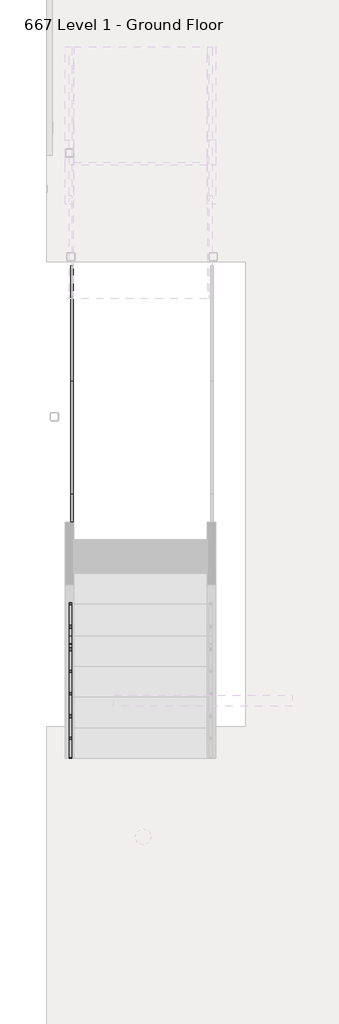
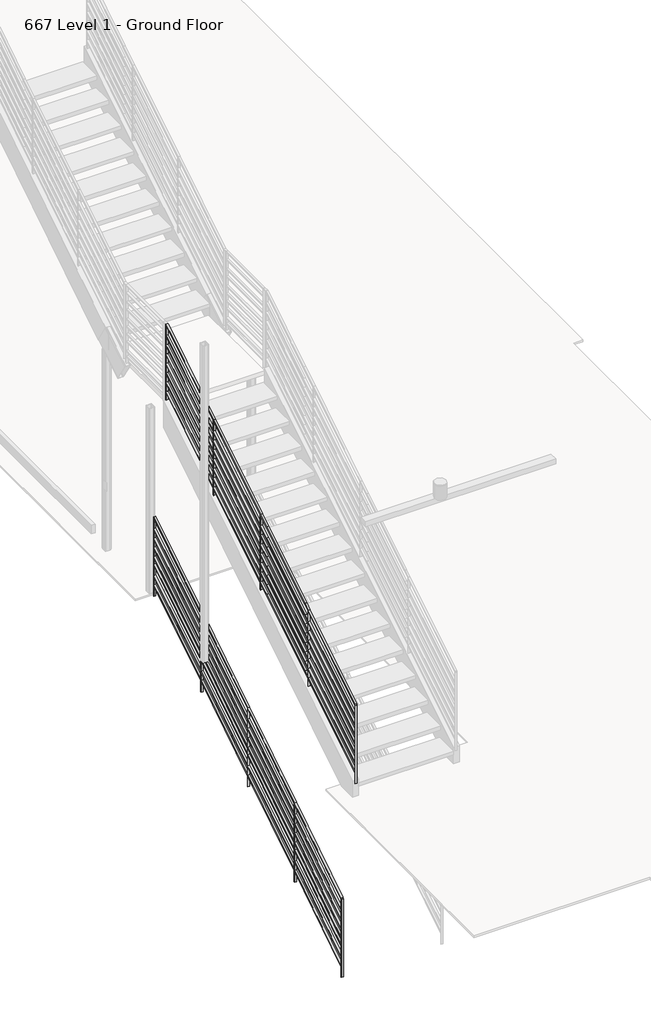
# One storey, part 11 of 16: 2 railings.
"""IFC4 building model written with IfcOpenShell, lengths in millimetres."""

from ifc_helpers import new_model, si_unit, frame, origin, place, context, project, spatial, polyline, outline, extrude, faceted_brep, element, save

model = new_model("IFC4")

# Units and contexts
model_context = context("Model", 3, world=origin())
ifc_project = project(units=[si_unit("LENGTHUNIT", "METRE", prefix="MILLI")], contexts=[model_context])

# Site, building, storey
site = spatial("IfcSite", under=ifc_project)
building = spatial("IfcBuilding", under=site)
storey = spatial("IfcBuildingStorey", under=building, Name="667 Level 1 - Ground Floor", Elevation=-11277.6)

# Railings
placement = place(None, origin())
element("IfcRailing", 1, ObjectType="Handrail - Rectangular Type3", at=placement, inside=storey, context=model_context, shape_type="SolidModel", body=[
    faceted_brep([(-11951.0299749, -1585.5048905, -12857.8219788), (-11951.0299749, -1585.5048905, -12872.8560704), (-11925.6299749, -1585.5048905, -12872.8560704), (-11925.6299749, -1585.5048905, -12857.8219788), (-11951.0299749, -547.5031963, -12200.2243145), (-11951.0299749, -540.7065848, -12210.9525982), (-11925.6299749, -540.7065848, -12210.9525982), (-11925.6299749, -547.5031963, -12200.2243145), (-11951.0299749, 493.8968037, -11540.4737464), (-11951.0299749, 500.6934152, -11551.2020301), (-11925.6299749, 500.6934152, -11551.2020301), (-11925.6299749, 493.8968037, -11540.4737464), (-11951.0299749, 1528.9468037, -10884.7460475), (-11951.0299749, 1535.7434152, -10895.4743312), (-11925.6299749, 1535.7434152, -10895.4743312), (-11925.6299749, 1528.9468037, -10884.7460475), (-11951.0299749, 2579.9937638, -10218.8839108), (-11925.6299749, 2579.9937638, -10218.8839108), (-11925.6299749, 2579.9937638, -10233.9180024), (-11951.0299749, 2579.9937638, -10233.9180024)], [[[0, 1, 2, 3]], [[1, 0, 4, 5]], [[2, 1, 5, 6]], [[3, 2, 6, 7]], [[0, 3, 7, 4]], [[5, 4, 8, 9]], [[6, 5, 9, 10]], [[7, 6, 10, 11]], [[4, 7, 11, 8]], [[9, 8, 12, 13]], [[10, 9, 13, 14]], [[11, 10, 14, 15]], [[8, 11, 15, 12]], [[16, 17, 18, 19]], [[13, 12, 16, 19]], [[14, 13, 19, 18]], [[15, 14, 18, 17]], [[12, 15, 17, 16]]]),
    extrude(outline(polyline([(-1585.5048905, -13787.2560704), (-1585.5048905, -13772.2219788), (-544.1048905, -13112.4714106), (-544.1048905, -13127.5055022), (-1585.5048905, -13787.2560704)])), frame((-11951.0299749, 0.0, 0.0), z_axis=(1.0, 0.0, 0.0), x_axis=(0.0, 1.0, 0.0)), (0.0, 0.0, 1.0), 25.4),
    extrude(outline(polyline([(-1585.5048905, -13660.2560704), (-1585.5048905, -13645.2219788), (-544.1048905, -12985.4714106), (-544.1048905, -13000.5055022), (-1585.5048905, -13660.2560704)])), frame((-11951.0299749, 0.0, 0.0), z_axis=(1.0, 0.0, 0.0), x_axis=(0.0, 1.0, 0.0)), (0.0, 0.0, 1.0), 25.4),
    extrude(outline(polyline([(-1585.5048905, -13507.8560704), (-1585.5048905, -13492.8219788), (-544.1048905, -12833.0714106), (-544.1048905, -12848.1055022), (-1585.5048905, -13507.8560704)])), frame((-11951.0299749, 0.0, 0.0), z_axis=(1.0, 0.0, 0.0), x_axis=(0.0, 1.0, 0.0)), (0.0, 0.0, 1.0), 25.4),
    extrude(outline(polyline([(-1585.5048905, -13406.2560704), (-1585.5048905, -13391.2219788), (-544.1048905, -12731.4714106), (-544.1048905, -12746.5055022), (-1585.5048905, -13406.2560704)])), frame((-11951.0299749, 0.0, 0.0), z_axis=(1.0, 0.0, 0.0), x_axis=(0.0, 1.0, 0.0)), (0.0, 0.0, 1.0), 25.4),
    extrude(outline(polyline([(-1585.5048905, -13279.2560704), (-1585.5048905, -13264.2219788), (-544.1048905, -12604.4714106), (-544.1048905, -12619.5055022), (-1585.5048905, -13279.2560704)])), frame((-11951.0299749, 0.0, 0.0), z_axis=(1.0, 0.0, 0.0), x_axis=(0.0, 1.0, 0.0)), (0.0, 0.0, 1.0), 25.4),
    extrude(outline(polyline([(-1585.5048905, -13152.2560704), (-1585.5048905, -13137.2219788), (-544.1048905, -12477.4714106), (-544.1048905, -12492.5055022), (-1585.5048905, -13152.2560704)])), frame((-11951.0299749, 0.0, 0.0), z_axis=(1.0, 0.0, 0.0), x_axis=(0.0, 1.0, 0.0)), (0.0, 0.0, 1.0), 25.4),
    extrude(outline(polyline([(-1585.5048905, -13025.2560704), (-1585.5048905, -13010.2219788), (-544.1048905, -12350.4714106), (-544.1048905, -12365.5055022), (-1585.5048905, -13025.2560704)])), frame((-11951.0299749, 0.0, 0.0), z_axis=(1.0, 0.0, 0.0), x_axis=(0.0, 1.0, 0.0)), (0.0, 0.0, 1.0), 25.4),
    extrude(outline(polyline([(-544.1048905, -13127.5055022), (-544.1048905, -13112.4714106), (497.2951095, -12452.7208424), (497.2951095, -12467.754934), (-544.1048905, -13127.5055022)])), frame((-11951.0299749, 0.0, 0.0), z_axis=(1.0, 0.0, 0.0), x_axis=(0.0, 1.0, 0.0)), (0.0, 0.0, 1.0), 25.4),
    extrude(outline(polyline([(497.2951095, -12467.754934), (497.2951095, -12452.7208424), (1532.3451095, -11796.9931435), (1532.3451095, -11812.0272351), (497.2951095, -12467.754934)])), frame((-11951.0299749, 0.0, 0.0), z_axis=(1.0, 0.0, 0.0), x_axis=(0.0, 1.0, 0.0)), (0.0, 0.0, 1.0), 25.4),
    extrude(outline(polyline([(1532.3451095, -11812.0272351), (1532.3451095, -11796.9931435), (2579.9937638, -11133.2839108), (2579.9937638, -11148.3180024), (1532.3451095, -11812.0272351)])), frame((-11951.0299749, 0.0, 0.0), z_axis=(1.0, 0.0, 0.0), x_axis=(0.0, 1.0, 0.0)), (0.0, 0.0, 1.0), 25.4),
    extrude(outline(polyline([(-544.1048905, -13000.5055022), (-544.1048905, -12985.4714106), (497.2951095, -12325.7208424), (497.2951095, -12340.754934), (-544.1048905, -13000.5055022)])), frame((-11951.0299749, 0.0, 0.0), z_axis=(1.0, 0.0, 0.0), x_axis=(0.0, 1.0, 0.0)), (0.0, 0.0, 1.0), 25.4),
    extrude(outline(polyline([(497.2951095, -12340.754934), (497.2951095, -12325.7208424), (1532.3451095, -11669.9931435), (1532.3451095, -11685.0272351), (497.2951095, -12340.754934)])), frame((-11951.0299749, 0.0, 0.0), z_axis=(1.0, 0.0, 0.0), x_axis=(0.0, 1.0, 0.0)), (0.0, 0.0, 1.0), 25.4),
    extrude(outline(polyline([(1532.3451095, -11685.0272351), (1532.3451095, -11669.9931435), (2579.9937638, -11006.2839108), (2579.9937638, -11021.3180024), (1532.3451095, -11685.0272351)])), frame((-11951.0299749, 0.0, 0.0), z_axis=(1.0, 0.0, 0.0), x_axis=(0.0, 1.0, 0.0)), (0.0, 0.0, 1.0), 25.4),
    extrude(outline(polyline([(-544.1048905, -12848.1055022), (-544.1048905, -12833.0714106), (497.2951095, -12173.3208424), (497.2951095, -12188.354934), (-544.1048905, -12848.1055022)])), frame((-11951.0299749, 0.0, 0.0), z_axis=(1.0, 0.0, 0.0), x_axis=(0.0, 1.0, 0.0)), (0.0, 0.0, 1.0), 25.4),
    extrude(outline(polyline([(497.2951095, -12188.354934), (497.2951095, -12173.3208424), (1532.3451095, -11517.5931435), (1532.3451095, -11532.6272351), (497.2951095, -12188.354934)])), frame((-11951.0299749, 0.0, 0.0), z_axis=(1.0, 0.0, 0.0), x_axis=(0.0, 1.0, 0.0)), (0.0, 0.0, 1.0), 25.4),
    extrude(outline(polyline([(1532.3451095, -11532.6272351), (1532.3451095, -11517.5931435), (2579.9937638, -10853.8839108), (2579.9937638, -10868.9180024), (1532.3451095, -11532.6272351)])), frame((-11951.0299749, 0.0, 0.0), z_axis=(1.0, 0.0, 0.0), x_axis=(0.0, 1.0, 0.0)), (0.0, 0.0, 1.0), 25.4),
    extrude(outline(polyline([(-544.1048905, -12746.5055022), (-544.1048905, -12731.4714106), (497.2951095, -12071.7208424), (497.2951095, -12086.754934), (-544.1048905, -12746.5055022)])), frame((-11951.0299749, 0.0, 0.0), z_axis=(1.0, 0.0, 0.0), x_axis=(0.0, 1.0, 0.0)), (0.0, 0.0, 1.0), 25.4),
    extrude(outline(polyline([(497.2951095, -12086.754934), (497.2951095, -12071.7208424), (1532.3451095, -11415.9931435), (1532.3451095, -11431.0272351), (497.2951095, -12086.754934)])), frame((-11951.0299749, 0.0, 0.0), z_axis=(1.0, 0.0, 0.0), x_axis=(0.0, 1.0, 0.0)), (0.0, 0.0, 1.0), 25.4),
    extrude(outline(polyline([(1532.3451095, -11431.0272351), (1532.3451095, -11415.9931435), (2579.9937638, -10752.2839108), (2579.9937638, -10767.3180024), (1532.3451095, -11431.0272351)])), frame((-11951.0299749, 0.0, 0.0), z_axis=(1.0, 0.0, 0.0), x_axis=(0.0, 1.0, 0.0)), (0.0, 0.0, 1.0), 25.4),
    extrude(outline(polyline([(-544.1048905, -12619.5055022), (-544.1048905, -12604.4714106), (497.2951095, -11944.7208424), (497.2951095, -11959.754934), (-544.1048905, -12619.5055022)])), frame((-11951.0299749, 0.0, 0.0), z_axis=(1.0, 0.0, 0.0), x_axis=(0.0, 1.0, 0.0)), (0.0, 0.0, 1.0), 25.4),
    extrude(outline(polyline([(497.2951095, -11959.754934), (497.2951095, -11944.7208424), (1532.3451095, -11288.9931435), (1532.3451095, -11304.0272351), (497.2951095, -11959.754934)])), frame((-11951.0299749, 0.0, 0.0), z_axis=(1.0, 0.0, 0.0), x_axis=(0.0, 1.0, 0.0)), (0.0, 0.0, 1.0), 25.4),
    extrude(outline(polyline([(1532.3451095, -11304.0272351), (1532.3451095, -11288.9931435), (2579.9937638, -10625.2839108), (2579.9937638, -10640.3180024), (1532.3451095, -11304.0272351)])), frame((-11951.0299749, 0.0, 0.0), z_axis=(1.0, 0.0, 0.0), x_axis=(0.0, 1.0, 0.0)), (0.0, 0.0, 1.0), 25.4),
    extrude(outline(polyline([(-544.1048905, -12492.5055022), (-544.1048905, -12477.4714106), (497.2951095, -11817.7208424), (497.2951095, -11832.754934), (-544.1048905, -12492.5055022)])), frame((-11951.0299749, 0.0, 0.0), z_axis=(1.0, 0.0, 0.0), x_axis=(0.0, 1.0, 0.0)), (0.0, 0.0, 1.0), 25.4),
    extrude(outline(polyline([(497.2951095, -11832.754934), (497.2951095, -11817.7208424), (1532.3451095, -11161.9931435), (1532.3451095, -11177.0272351), (497.2951095, -11832.754934)])), frame((-11951.0299749, 0.0, 0.0), z_axis=(1.0, 0.0, 0.0), x_axis=(0.0, 1.0, 0.0)), (0.0, 0.0, 1.0), 25.4),
    extrude(outline(polyline([(1532.3451095, -11177.0272351), (1532.3451095, -11161.9931435), (2579.9937638, -10498.2839108), (2579.9937638, -10513.3180024), (1532.3451095, -11177.0272351)])), frame((-11951.0299749, 0.0, 0.0), z_axis=(1.0, 0.0, 0.0), x_axis=(0.0, 1.0, 0.0)), (0.0, 0.0, 1.0), 25.4),
    extrude(outline(polyline([(-544.1048905, -12365.5055022), (-544.1048905, -12350.4714106), (497.2951095, -11690.7208424), (497.2951095, -11705.754934), (-544.1048905, -12365.5055022)])), frame((-11951.0299749, 0.0, 0.0), z_axis=(1.0, 0.0, 0.0), x_axis=(0.0, 1.0, 0.0)), (0.0, 0.0, 1.0), 25.4),
    extrude(outline(polyline([(497.2951095, -11705.754934), (497.2951095, -11690.7208424), (1532.3451095, -11034.9931435), (1532.3451095, -11050.0272351), (497.2951095, -11705.754934)])), frame((-11951.0299749, 0.0, 0.0), z_axis=(1.0, 0.0, 0.0), x_axis=(0.0, 1.0, 0.0)), (0.0, 0.0, 1.0), 25.4),
    extrude(outline(polyline([(1532.3451095, -11050.0272351), (1532.3451095, -11034.9931435), (2579.9937638, -10371.2839108), (2579.9937638, -10386.3180024), (1532.3451095, -11050.0272351)])), frame((-11951.0299749, 0.0, 0.0), z_axis=(1.0, 0.0, 0.0), x_axis=(0.0, 1.0, 0.0)), (0.0, 0.0, 1.0), 25.4),
    extrude(outline(polyline([(1529.1701095, -10899.6386698), (1535.5201095, -10895.6158005), (1535.5201095, -11956.9101893), (1529.1701095, -11956.9101893), (1529.1701095, -10899.6386698)])), frame((-11951.0299749, 0.0, 0.0), z_axis=(1.0, 0.0, 0.0), x_axis=(0.0, 1.0, 0.0)), (0.0, 0.0, 1.0), 25.4),
    extrude(outline(polyline([(494.1201095, -11555.3663687), (500.4701095, -11551.3434993), (500.4701095, -12612.6378882), (494.1201095, -12612.6378882), (494.1201095, -11555.3663687)])), frame((-11951.0299749, 0.0, 0.0), z_axis=(1.0, 0.0, 0.0), x_axis=(0.0, 1.0, 0.0)), (0.0, 0.0, 1.0), 25.4),
    extrude(outline(polyline([(-547.2798905, -12215.1169368), (-540.9298905, -12211.0940675), (-540.9298905, -13272.3884564), (-547.2798905, -13272.3884564), (-547.2798905, -12215.1169368)])), frame((-11951.0299749, 0.0, 0.0), z_axis=(1.0, 0.0, 0.0), x_axis=(0.0, 1.0, 0.0)), (0.0, 0.0, 1.0), 25.4),
    extrude(outline(polyline([(2576.8187638, -10235.9294371), (2583.1687638, -10231.9065678), (2583.1687638, -11293.2009566), (2576.8187638, -11293.2009566), (2576.8187638, -10235.9294371)])), frame((-11951.0299749, 0.0, 0.0), z_axis=(1.0, 0.0, 0.0), x_axis=(0.0, 1.0, 0.0)), (0.0, 0.0, 1.0), 25.4),
    extrude(outline(polyline([(-1588.6798905, -12874.867505), (-1582.3298905, -12870.8446357), (-1582.3298905, -13932.1390246), (-1588.6798905, -13932.1390246), (-1588.6798905, -12874.867505)])), frame((-11951.0299749, 0.0, 0.0), z_axis=(1.0, 0.0, 0.0), x_axis=(0.0, 1.0, 0.0)), (0.0, 0.0, 1.0), 25.4),
])
element("IfcRailing", 2, ObjectType="Handrail - Rectangular Type6", at=placement, inside=storey, context=model_context, shape_type="SolidModel", body=[
    faceted_brep([(-11965.1563726, -1915.7048905, -10029.2818141), (-11965.1563726, -1915.7048905, -10044.2441118), (-11939.7563726, -1915.7048905, -10044.2441118), (-11939.7563726, -1915.7048905, -10029.2818141), (-11965.1563726, -877.6622237, -9382.6895805), (-11965.1563726, -870.9475574, -9393.469342), (-11939.7563726, -870.9475574, -9393.469342), (-11939.7563726, -877.6622237, -9382.6895805), (-11965.1563726, -801.4622237, -9335.2249341), (-11965.1563726, -794.7474815, -9346.0048175), (-11939.7563726, -794.7475574, -9346.0046955), (-11939.7563726, -801.4622996, -9335.2248122), (-11965.1563726, 193.8439764, -8738.1261307), (-11965.1563726, 187.1293102, -8727.3463692), (-11965.1563726, 1230.0196748, -8077.734526), (-11965.1563726, 1236.734341, -8088.5142875), (-11939.7563726, 193.8439764, -8738.1261307), (-11939.7563726, 1236.734341, -8088.5142875), (-11939.7563726, 187.1293102, -8727.3463692), (-11939.7563726, 1230.0196748, -8077.734526), (-11965.1563726, 1446.4377763, -7942.9286378), (-11965.1563726, 1453.1524622, -7953.7084307), (-11939.7563726, 1453.1524426, -7953.7083993), (-11939.7563726, 1446.4377567, -7942.9286063), (-11965.1563726, 49.4741047, -8813.0913634), (-11965.1563726, 56.1161894, -8823.9161664), (-11939.7563726, 56.1161143, -8823.916044), (-11939.7563726, 49.4740295, -8813.091241), (-11965.1563726, 2281.6451095, -7418.7102509), (-11939.7563726, 2281.6451095, -7418.7102509), (-11939.7563726, 2281.6451095, -7433.7045639), (-11965.1563726, 2281.6451095, -7433.7045639)], [[[0, 1, 2, 3]], [[1, 0, 4, 5]], [[2, 1, 5, 6]], [[3, 2, 6, 7]], [[0, 3, 7, 4]], [[5, 4, 8, 9]], [[6, 5, 9, 10]], [[7, 6, 10, 11]], [[4, 7, 11, 8]], [[12, 13, 14, 15]], [[16, 12, 15, 17]], [[18, 16, 17, 19]], [[13, 18, 19, 14]], [[15, 14, 20, 21]], [[17, 15, 21, 22]], [[19, 17, 22, 23]], [[14, 19, 23, 20]], [[9, 8, 24, 25]], [[10, 9, 25, 26]], [[11, 10, 26, 27]], [[8, 11, 27, 24]], [[25, 24, 13, 12]], [[26, 25, 12, 16]], [[27, 26, 16, 18]], [[24, 27, 18, 13]], [[28, 29, 30, 31]], [[21, 20, 28, 31]], [[22, 21, 31, 30]], [[23, 22, 30, 29]], [[20, 23, 29, 28]]]),
    faceted_brep([(-11965.1563726, -1915.7048905, -10943.6818141), (-11965.1563726, -1915.7048905, -10958.6441118), (-11939.7563726, -1915.7048905, -10958.6441118), (-11939.7563726, -1915.7048905, -10943.6818141), (-11965.1563726, -874.3048905, -10294.9983124), (-11939.7563726, -874.3048905, -10294.9983124), (-11939.7563726, -874.3048905, -10309.9606101), (-11965.1563726, -874.3048905, -10309.9606101)], [[[0, 1, 2, 3]], [[4, 5, 6, 7]], [[0, 3, 5, 4]], [[3, 2, 6, 5]], [[2, 1, 7, 6]], [[1, 0, 4, 7]]]),
    faceted_brep([(-11965.1563726, -1915.7048905, -10816.6818141), (-11965.1563726, -1915.7048905, -10831.6441118), (-11939.7563726, -1915.7048905, -10831.6441118), (-11939.7563726, -1915.7048905, -10816.6818141), (-11965.1563726, -874.3048905, -10167.9983124), (-11939.7563726, -874.3048905, -10167.9983124), (-11939.7563726, -874.3048905, -10182.9606101), (-11965.1563726, -874.3048905, -10182.9606101)], [[[0, 1, 2, 3]], [[4, 5, 6, 7]], [[0, 3, 5, 4]], [[3, 2, 6, 5]], [[2, 1, 7, 6]], [[1, 0, 4, 7]]]),
    faceted_brep([(-11965.1563726, -1915.7048905, -10689.6818141), (-11965.1563726, -1915.7048905, -10704.6441118), (-11939.7563726, -1915.7048905, -10704.6441118), (-11939.7563726, -1915.7048905, -10689.6818141), (-11965.1563726, -874.3048905, -10040.9983124), (-11939.7563726, -874.3048905, -10040.9983124), (-11939.7563726, -874.3048905, -10055.9606101), (-11965.1563726, -874.3048905, -10055.9606101)], [[[0, 1, 2, 3]], [[4, 5, 6, 7]], [[0, 3, 5, 4]], [[3, 2, 6, 5]], [[2, 1, 7, 6]], [[1, 0, 4, 7]]]),
    faceted_brep([(-11965.1563726, -1915.7048905, -10562.6818141), (-11965.1563726, -1915.7048905, -10577.6441118), (-11939.7563726, -1915.7048905, -10577.6441118), (-11939.7563726, -1915.7048905, -10562.6818141), (-11965.1563726, -874.3048905, -9913.9983124), (-11939.7563726, -874.3048905, -9913.9983124), (-11939.7563726, -874.3048905, -9928.9606101), (-11965.1563726, -874.3048905, -9928.9606101)], [[[0, 1, 2, 3]], [[4, 5, 6, 7]], [[0, 3, 5, 4]], [[3, 2, 6, 5]], [[2, 1, 7, 6]], [[1, 0, 4, 7]]]),
    faceted_brep([(-11965.1563726, -1915.7048905, -10435.6818141), (-11965.1563726, -1915.7048905, -10450.6441118), (-11939.7563726, -1915.7048905, -10450.6441118), (-11939.7563726, -1915.7048905, -10435.6818141), (-11965.1563726, -874.3048905, -9786.9983124), (-11939.7563726, -874.3048905, -9786.9983124), (-11939.7563726, -874.3048905, -9801.9606101), (-11965.1563726, -874.3048905, -9801.9606101)], [[[0, 1, 2, 3]], [[4, 5, 6, 7]], [[0, 3, 5, 4]], [[3, 2, 6, 5]], [[2, 1, 7, 6]], [[1, 0, 4, 7]]]),
    faceted_brep([(-11965.1563726, -1915.7048905, -10308.6818141), (-11965.1563726, -1915.7048905, -10323.6441118), (-11939.7563726, -1915.7048905, -10323.6441118), (-11939.7563726, -1915.7048905, -10308.6818141), (-11965.1563726, -874.3048905, -9659.9983124), (-11939.7563726, -874.3048905, -9659.9983124), (-11939.7563726, -874.3048905, -9674.9606101), (-11965.1563726, -874.3048905, -9674.9606101)], [[[0, 1, 2, 3]], [[4, 5, 6, 7]], [[0, 3, 5, 4]], [[3, 2, 6, 5]], [[2, 1, 7, 6]], [[1, 0, 4, 7]]]),
    faceted_brep([(-11965.1563726, -1915.7048905, -10181.6818141), (-11965.1563726, -1915.7048905, -10196.6441118), (-11939.7563726, -1915.7048905, -10196.6441118), (-11939.7563726, -1915.7048905, -10181.6818141), (-11965.1563726, -874.3048905, -9532.9983124), (-11939.7563726, -874.3048905, -9532.9983124), (-11939.7563726, -874.3048905, -9547.9606101), (-11965.1563726, -874.3048905, -9547.9606101)], [[[0, 1, 2, 3]], [[4, 5, 6, 7]], [[0, 3, 5, 4]], [[3, 2, 6, 5]], [[2, 1, 7, 6]], [[1, 0, 4, 7]]]),
    faceted_brep([(-11965.1563726, -874.3048905, -10294.9983124), (-11965.1563726, -874.3048905, -10309.9606101), (-11939.7563726, -874.3048905, -10309.9606101), (-11939.7563726, -874.3048905, -10294.9983124), (-11939.7563726, -801.4622237, -10249.6249341), (-11965.1563726, -801.4622237, -10249.6249341), (-11939.7563726, -794.7475574, -10260.4046955), (-11965.1563726, -794.7475574, -10260.4046955), (-11939.7563726, 49.4741047, -9727.4913634), (-11965.1563726, 49.4741047, -9727.4913634), (-11939.7563726, 56.1161143, -9738.316044), (-11965.1563726, 56.1161143, -9738.316044), (-11965.1563726, 190.4866433, -9639.6551011), (-11939.7563726, 190.4866433, -9639.6551011), (-11939.7563726, 190.4866433, -9654.6173988), (-11965.1563726, 190.4866433, -9654.6173988)], [[[0, 1, 2, 3]], [[0, 3, 4, 5]], [[3, 2, 6, 4]], [[2, 1, 7, 6]], [[1, 0, 5, 7]], [[5, 4, 8, 9]], [[4, 6, 10, 8]], [[6, 7, 11, 10]], [[7, 5, 9, 11]], [[12, 13, 14, 15]], [[9, 8, 13, 12]], [[8, 10, 14, 13]], [[10, 11, 15, 14]], [[11, 9, 12, 15]]]),
    faceted_brep([(-11965.1563726, 190.4866433, -9639.6551011), (-11965.1563726, 190.4866433, -9654.6173988), (-11939.7563726, 190.4866433, -9654.6173988), (-11939.7563726, 190.4866433, -9639.6551011), (-11965.1563726, 1233.3770079, -8990.0432579), (-11939.7563726, 1233.3770079, -8990.0432579), (-11939.7563726, 1233.3770079, -9005.0055556), (-11965.1563726, 1233.3770079, -9005.0055556)], [[[0, 1, 2, 3]], [[4, 5, 6, 7]], [[0, 3, 5, 4]], [[3, 2, 6, 5]], [[2, 1, 7, 6]], [[1, 0, 4, 7]]]),
    faceted_brep([(-11965.1563726, 1233.3770079, -8990.0432579), (-11965.1563726, 1233.3770079, -9005.0055556), (-11939.7563726, 1233.3770079, -9005.0055556), (-11939.7563726, 1233.3770079, -8990.0432579), (-11939.7563726, 1446.4377763, -8857.3286378), (-11965.1563726, 1446.4377763, -8857.3286378), (-11939.7563726, 1453.1524426, -8868.1083993), (-11965.1563726, 1453.1524426, -8868.1083993), (-11939.7563726, 2279.8174101, -8334.2574074), (-11965.1563726, 2279.8174101, -8334.2574074), (-11939.7563726, 2283.4728088, -8346.9574074), (-11965.1563726, 2283.4728088, -8346.9574074), (-11965.1563726, 2286.5094854, -8334.2574074), (-11939.7563726, 2286.5094854, -8334.2574074), (-11939.7563726, 2286.5094854, -8346.9574074), (-11965.1563726, 2286.5094854, -8346.9574074)], [[[0, 1, 2, 3]], [[0, 3, 4, 5]], [[3, 2, 6, 4]], [[2, 1, 7, 6]], [[1, 0, 5, 7]], [[5, 4, 8, 9]], [[4, 6, 10, 8]], [[6, 7, 11, 10]], [[7, 5, 9, 11]], [[12, 13, 14, 15]], [[9, 8, 13, 12]], [[8, 10, 14, 13]], [[10, 11, 15, 14]], [[11, 9, 12, 15]]]),
    faceted_brep([(-11965.1563726, -874.3048905, -10167.9983124), (-11965.1563726, -874.3048905, -10182.9606101), (-11939.7563726, -874.3048905, -10182.9606101), (-11939.7563726, -874.3048905, -10167.9983124), (-11939.7563726, -801.4622237, -10122.6249341), (-11965.1563726, -801.4622237, -10122.6249341), (-11939.7563726, -794.7475574, -10133.4046955), (-11965.1563726, -794.7475574, -10133.4046955), (-11939.7563726, 49.4741047, -9600.4913634), (-11965.1563726, 49.4741047, -9600.4913634), (-11939.7563726, 56.1161143, -9611.316044), (-11965.1563726, 56.1161143, -9611.316044), (-11965.1563726, 190.4866433, -9512.6551011), (-11939.7563726, 190.4866433, -9512.6551011), (-11939.7563726, 190.4866433, -9527.6173988), (-11965.1563726, 190.4866433, -9527.6173988)], [[[0, 1, 2, 3]], [[0, 3, 4, 5]], [[3, 2, 6, 4]], [[2, 1, 7, 6]], [[1, 0, 5, 7]], [[5, 4, 8, 9]], [[4, 6, 10, 8]], [[6, 7, 11, 10]], [[7, 5, 9, 11]], [[12, 13, 14, 15]], [[9, 8, 13, 12]], [[8, 10, 14, 13]], [[10, 11, 15, 14]], [[11, 9, 12, 15]]]),
    faceted_brep([(-11965.1563726, 190.4866433, -9512.6551011), (-11965.1563726, 190.4866433, -9527.6173988), (-11939.7563726, 190.4866433, -9527.6173988), (-11939.7563726, 190.4866433, -9512.6551011), (-11965.1563726, 1233.3770079, -8863.0432579), (-11939.7563726, 1233.3770079, -8863.0432579), (-11939.7563726, 1233.3770079, -8878.0055556), (-11965.1563726, 1233.3770079, -8878.0055556)], [[[0, 1, 2, 3]], [[4, 5, 6, 7]], [[0, 3, 5, 4]], [[3, 2, 6, 5]], [[2, 1, 7, 6]], [[1, 0, 4, 7]]]),
    faceted_brep([(-11965.1563726, 1233.3770079, -8863.0432579), (-11965.1563726, 1233.3770079, -8878.0055556), (-11939.7563726, 1233.3770079, -8878.0055556), (-11939.7563726, 1233.3770079, -8863.0432579), (-11939.7563726, 1446.4377763, -8730.3286378), (-11965.1563726, 1446.4377763, -8730.3286378), (-11939.7563726, 1453.1524426, -8741.1083993), (-11965.1563726, 1453.1524426, -8741.1083993), (-11939.7563726, 2279.8174101, -8207.2574074), (-11965.1563726, 2279.8174101, -8207.2574074), (-11939.7563726, 2283.4728088, -8219.9574074), (-11965.1563726, 2283.4728088, -8219.9574074), (-11965.1563726, 2286.5094854, -8207.2574074), (-11939.7563726, 2286.5094854, -8207.2574074), (-11939.7563726, 2286.5094854, -8219.9574074), (-11965.1563726, 2286.5094854, -8219.9574074)], [[[0, 1, 2, 3]], [[0, 3, 4, 5]], [[3, 2, 6, 4]], [[2, 1, 7, 6]], [[1, 0, 5, 7]], [[5, 4, 8, 9]], [[4, 6, 10, 8]], [[6, 7, 11, 10]], [[7, 5, 9, 11]], [[12, 13, 14, 15]], [[9, 8, 13, 12]], [[8, 10, 14, 13]], [[10, 11, 15, 14]], [[11, 9, 12, 15]]]),
    faceted_brep([(-11965.1563726, -874.3048905, -10040.9983124), (-11965.1563726, -874.3048905, -10055.9606101), (-11939.7563726, -874.3048905, -10055.9606101), (-11939.7563726, -874.3048905, -10040.9983124), (-11939.7563726, -801.4622237, -9995.6249341), (-11965.1563726, -801.4622237, -9995.6249341), (-11939.7563726, -794.7475574, -10006.4046955), (-11965.1563726, -794.7475574, -10006.4046955), (-11939.7563726, 49.4741047, -9473.4913634), (-11965.1563726, 49.4741047, -9473.4913634), (-11939.7563726, 56.1161143, -9484.316044), (-11965.1563726, 56.1161143, -9484.316044), (-11965.1563726, 190.4866433, -9385.6551011), (-11939.7563726, 190.4866433, -9385.6551011), (-11939.7563726, 190.4866433, -9400.6173988), (-11965.1563726, 190.4866433, -9400.6173988)], [[[0, 1, 2, 3]], [[0, 3, 4, 5]], [[3, 2, 6, 4]], [[2, 1, 7, 6]], [[1, 0, 5, 7]], [[5, 4, 8, 9]], [[4, 6, 10, 8]], [[6, 7, 11, 10]], [[7, 5, 9, 11]], [[12, 13, 14, 15]], [[9, 8, 13, 12]], [[8, 10, 14, 13]], [[10, 11, 15, 14]], [[11, 9, 12, 15]]]),
    faceted_brep([(-11965.1563726, 190.4866433, -9385.6551011), (-11965.1563726, 190.4866433, -9400.6173988), (-11939.7563726, 190.4866433, -9400.6173988), (-11939.7563726, 190.4866433, -9385.6551011), (-11965.1563726, 1233.3770079, -8736.0432579), (-11939.7563726, 1233.3770079, -8736.0432579), (-11939.7563726, 1233.3770079, -8751.0055556), (-11965.1563726, 1233.3770079, -8751.0055556)], [[[0, 1, 2, 3]], [[4, 5, 6, 7]], [[0, 3, 5, 4]], [[3, 2, 6, 5]], [[2, 1, 7, 6]], [[1, 0, 4, 7]]]),
    faceted_brep([(-11965.1563726, 1233.3770079, -8736.0432579), (-11965.1563726, 1233.3770079, -8751.0055556), (-11939.7563726, 1233.3770079, -8751.0055556), (-11939.7563726, 1233.3770079, -8736.0432579), (-11939.7563726, 1446.4377763, -8603.3286378), (-11965.1563726, 1446.4377763, -8603.3286378), (-11939.7563726, 1453.1524426, -8614.1083993), (-11965.1563726, 1453.1524426, -8614.1083993), (-11939.7563726, 2279.8174101, -8080.2574074), (-11965.1563726, 2279.8174101, -8080.2574074), (-11939.7563726, 2283.4728088, -8092.9574074), (-11965.1563726, 2283.4728088, -8092.9574074), (-11965.1563726, 2286.5094854, -8080.2574074), (-11939.7563726, 2286.5094854, -8080.2574074), (-11939.7563726, 2286.5094854, -8092.9574074), (-11965.1563726, 2286.5094854, -8092.9574074)], [[[0, 1, 2, 3]], [[0, 3, 4, 5]], [[3, 2, 6, 4]], [[2, 1, 7, 6]], [[1, 0, 5, 7]], [[5, 4, 8, 9]], [[4, 6, 10, 8]], [[6, 7, 11, 10]], [[7, 5, 9, 11]], [[12, 13, 14, 15]], [[9, 8, 13, 12]], [[8, 10, 14, 13]], [[10, 11, 15, 14]], [[11, 9, 12, 15]]]),
    faceted_brep([(-11965.1563726, -874.3048905, -9913.9983124), (-11965.1563726, -874.3048905, -9928.9606101), (-11939.7563726, -874.3048905, -9928.9606101), (-11939.7563726, -874.3048905, -9913.9983124), (-11939.7563726, -801.4622237, -9868.6249341), (-11965.1563726, -801.4622237, -9868.6249341), (-11939.7563726, -794.7475574, -9879.4046955), (-11965.1563726, -794.7475574, -9879.4046955), (-11939.7563726, 49.4741047, -9346.4913634), (-11965.1563726, 49.4741047, -9346.4913634), (-11939.7563726, 56.1161143, -9357.316044), (-11965.1563726, 56.1161143, -9357.316044), (-11965.1563726, 190.4866433, -9258.6551011), (-11939.7563726, 190.4866433, -9258.6551011), (-11939.7563726, 190.4866433, -9273.6173988), (-11965.1563726, 190.4866433, -9273.6173988)], [[[0, 1, 2, 3]], [[0, 3, 4, 5]], [[3, 2, 6, 4]], [[2, 1, 7, 6]], [[1, 0, 5, 7]], [[5, 4, 8, 9]], [[4, 6, 10, 8]], [[6, 7, 11, 10]], [[7, 5, 9, 11]], [[12, 13, 14, 15]], [[9, 8, 13, 12]], [[8, 10, 14, 13]], [[10, 11, 15, 14]], [[11, 9, 12, 15]]]),
    faceted_brep([(-11965.1563726, 190.4866433, -9258.6551011), (-11965.1563726, 190.4866433, -9273.6173988), (-11939.7563726, 190.4866433, -9273.6173988), (-11939.7563726, 190.4866433, -9258.6551011), (-11965.1563726, 1233.3770079, -8609.0432579), (-11939.7563726, 1233.3770079, -8609.0432579), (-11939.7563726, 1233.3770079, -8624.0055556), (-11965.1563726, 1233.3770079, -8624.0055556)], [[[0, 1, 2, 3]], [[4, 5, 6, 7]], [[0, 3, 5, 4]], [[3, 2, 6, 5]], [[2, 1, 7, 6]], [[1, 0, 4, 7]]]),
    faceted_brep([(-11965.1563726, 1233.3770079, -8609.0432579), (-11965.1563726, 1233.3770079, -8624.0055556), (-11939.7563726, 1233.3770079, -8624.0055556), (-11939.7563726, 1233.3770079, -8609.0432579), (-11939.7563726, 1446.4377763, -8476.3286378), (-11965.1563726, 1446.4377763, -8476.3286378), (-11939.7563726, 1453.1524426, -8487.1083993), (-11965.1563726, 1453.1524426, -8487.1083993), (-11939.7563726, 2279.8174101, -7953.2574074), (-11965.1563726, 2279.8174101, -7953.2574074), (-11939.7563726, 2283.4728088, -7965.9574074), (-11965.1563726, 2283.4728088, -7965.9574074), (-11965.1563726, 2286.5094854, -7953.2574074), (-11939.7563726, 2286.5094854, -7953.2574074), (-11939.7563726, 2286.5094854, -7965.9574074), (-11965.1563726, 2286.5094854, -7965.9574074)], [[[0, 1, 2, 3]], [[0, 3, 4, 5]], [[3, 2, 6, 4]], [[2, 1, 7, 6]], [[1, 0, 5, 7]], [[5, 4, 8, 9]], [[4, 6, 10, 8]], [[6, 7, 11, 10]], [[7, 5, 9, 11]], [[12, 13, 14, 15]], [[9, 8, 13, 12]], [[8, 10, 14, 13]], [[10, 11, 15, 14]], [[11, 9, 12, 15]]]),
    faceted_brep([(-11965.1563726, -874.3048905, -9786.9983124), (-11965.1563726, -874.3048905, -9801.9606101), (-11939.7563726, -874.3048905, -9801.9606101), (-11939.7563726, -874.3048905, -9786.9983124), (-11939.7563726, -801.4622237, -9741.6249341), (-11965.1563726, -801.4622237, -9741.6249341), (-11939.7563726, -794.7475574, -9752.4046955), (-11965.1563726, -794.7475574, -9752.4046955), (-11939.7563726, 49.4741047, -9219.4913634), (-11965.1563726, 49.4741047, -9219.4913634), (-11939.7563726, 56.1161143, -9230.316044), (-11965.1563726, 56.1161143, -9230.316044), (-11965.1563726, 190.4866433, -9131.6551011), (-11939.7563726, 190.4866433, -9131.6551011), (-11939.7563726, 190.4866433, -9146.6173988), (-11965.1563726, 190.4866433, -9146.6173988)], [[[0, 1, 2, 3]], [[0, 3, 4, 5]], [[3, 2, 6, 4]], [[2, 1, 7, 6]], [[1, 0, 5, 7]], [[5, 4, 8, 9]], [[4, 6, 10, 8]], [[6, 7, 11, 10]], [[7, 5, 9, 11]], [[12, 13, 14, 15]], [[9, 8, 13, 12]], [[8, 10, 14, 13]], [[10, 11, 15, 14]], [[11, 9, 12, 15]]]),
    faceted_brep([(-11965.1563726, 190.4866433, -9131.6551011), (-11965.1563726, 190.4866433, -9146.6173988), (-11939.7563726, 190.4866433, -9146.6173988), (-11939.7563726, 190.4866433, -9131.6551011), (-11965.1563726, 1233.3770079, -8482.0432579), (-11939.7563726, 1233.3770079, -8482.0432579), (-11939.7563726, 1233.3770079, -8497.0055556), (-11965.1563726, 1233.3770079, -8497.0055556)], [[[0, 1, 2, 3]], [[4, 5, 6, 7]], [[0, 3, 5, 4]], [[3, 2, 6, 5]], [[2, 1, 7, 6]], [[1, 0, 4, 7]]]),
    faceted_brep([(-11965.1563726, 1233.3770079, -8482.0432579), (-11965.1563726, 1233.3770079, -8497.0055556), (-11939.7563726, 1233.3770079, -8497.0055556), (-11939.7563726, 1233.3770079, -8482.0432579), (-11939.7563726, 1446.4377763, -8349.3286378), (-11965.1563726, 1446.4377763, -8349.3286378), (-11939.7563726, 1453.1524426, -8360.1083993), (-11965.1563726, 1453.1524426, -8360.1083993), (-11939.7563726, 2279.8174101, -7826.2574074), (-11965.1563726, 2279.8174101, -7826.2574074), (-11939.7563726, 2283.4728088, -7838.9574074), (-11965.1563726, 2283.4728088, -7838.9574074), (-11965.1563726, 2286.5094854, -7826.2574074), (-11939.7563726, 2286.5094854, -7826.2574074), (-11939.7563726, 2286.5094854, -7838.9574074), (-11965.1563726, 2286.5094854, -7838.9574074)], [[[0, 1, 2, 3]], [[0, 3, 4, 5]], [[3, 2, 6, 4]], [[2, 1, 7, 6]], [[1, 0, 5, 7]], [[5, 4, 8, 9]], [[4, 6, 10, 8]], [[6, 7, 11, 10]], [[7, 5, 9, 11]], [[12, 13, 14, 15]], [[9, 8, 13, 12]], [[8, 10, 14, 13]], [[10, 11, 15, 14]], [[11, 9, 12, 15]]]),
    faceted_brep([(-11965.1563726, -874.3048905, -9659.9983124), (-11965.1563726, -874.3048905, -9674.9606101), (-11939.7563726, -874.3048905, -9674.9606101), (-11939.7563726, -874.3048905, -9659.9983124), (-11939.7563726, -801.4622237, -9614.6249341), (-11965.1563726, -801.4622237, -9614.6249341), (-11939.7563726, -794.7475574, -9625.4046955), (-11965.1563726, -794.7475574, -9625.4046955), (-11939.7563726, 49.4741047, -9092.4913634), (-11965.1563726, 49.4741047, -9092.4913634), (-11939.7563726, 56.1161143, -9103.316044), (-11965.1563726, 56.1161143, -9103.316044), (-11965.1563726, 190.4866433, -9004.6551011), (-11939.7563726, 190.4866433, -9004.6551011), (-11939.7563726, 190.4866433, -9019.6173988), (-11965.1563726, 190.4866433, -9019.6173988)], [[[0, 1, 2, 3]], [[0, 3, 4, 5]], [[3, 2, 6, 4]], [[2, 1, 7, 6]], [[1, 0, 5, 7]], [[5, 4, 8, 9]], [[4, 6, 10, 8]], [[6, 7, 11, 10]], [[7, 5, 9, 11]], [[12, 13, 14, 15]], [[9, 8, 13, 12]], [[8, 10, 14, 13]], [[10, 11, 15, 14]], [[11, 9, 12, 15]]]),
    faceted_brep([(-11965.1563726, 190.4866433, -9004.6551011), (-11965.1563726, 190.4866433, -9019.6173988), (-11939.7563726, 190.4866433, -9019.6173988), (-11939.7563726, 190.4866433, -9004.6551011), (-11965.1563726, 1233.3770079, -8355.0432579), (-11939.7563726, 1233.3770079, -8355.0432579), (-11939.7563726, 1233.3770079, -8370.0055556), (-11965.1563726, 1233.3770079, -8370.0055556)], [[[0, 1, 2, 3]], [[4, 5, 6, 7]], [[0, 3, 5, 4]], [[3, 2, 6, 5]], [[2, 1, 7, 6]], [[1, 0, 4, 7]]]),
    faceted_brep([(-11965.1563726, 1233.3770079, -8355.0432579), (-11965.1563726, 1233.3770079, -8370.0055556), (-11939.7563726, 1233.3770079, -8370.0055556), (-11939.7563726, 1233.3770079, -8355.0432579), (-11939.7563726, 1446.4377763, -8222.3286378), (-11965.1563726, 1446.4377763, -8222.3286378), (-11939.7563726, 1453.1524426, -8233.1083993), (-11965.1563726, 1453.1524426, -8233.1083993), (-11939.7563726, 2279.8174101, -7699.2574074), (-11965.1563726, 2279.8174101, -7699.2574074), (-11939.7563726, 2283.4728088, -7711.9574074), (-11965.1563726, 2283.4728088, -7711.9574074), (-11965.1563726, 2286.5094854, -7699.2574074), (-11939.7563726, 2286.5094854, -7699.2574074), (-11939.7563726, 2286.5094854, -7711.9574074), (-11965.1563726, 2286.5094854, -7711.9574074)], [[[0, 1, 2, 3]], [[0, 3, 4, 5]], [[3, 2, 6, 4]], [[2, 1, 7, 6]], [[1, 0, 5, 7]], [[5, 4, 8, 9]], [[4, 6, 10, 8]], [[6, 7, 11, 10]], [[7, 5, 9, 11]], [[12, 13, 14, 15]], [[9, 8, 13, 12]], [[8, 10, 14, 13]], [[10, 11, 15, 14]], [[11, 9, 12, 15]]]),
    faceted_brep([(-11965.1563726, -874.3048905, -9532.9983124), (-11965.1563726, -874.3048905, -9547.9606101), (-11939.7563726, -874.3048905, -9547.9606101), (-11939.7563726, -874.3048905, -9532.9983124), (-11939.7563726, -801.4622237, -9487.6249341), (-11965.1563726, -801.4622237, -9487.6249341), (-11939.7563726, -794.7475574, -9498.4046955), (-11965.1563726, -794.7475574, -9498.4046955), (-11939.7563726, 49.4741047, -8965.4913634), (-11965.1563726, 49.4741047, -8965.4913634), (-11939.7563726, 56.1161143, -8976.316044), (-11965.1563726, 56.1161143, -8976.316044), (-11965.1563726, 190.4866433, -8877.6551011), (-11939.7563726, 190.4866433, -8877.6551011), (-11939.7563726, 190.4866433, -8892.6173988), (-11965.1563726, 190.4866433, -8892.6173988)], [[[0, 1, 2, 3]], [[0, 3, 4, 5]], [[3, 2, 6, 4]], [[2, 1, 7, 6]], [[1, 0, 5, 7]], [[5, 4, 8, 9]], [[4, 6, 10, 8]], [[6, 7, 11, 10]], [[7, 5, 9, 11]], [[12, 13, 14, 15]], [[9, 8, 13, 12]], [[8, 10, 14, 13]], [[10, 11, 15, 14]], [[11, 9, 12, 15]]]),
    faceted_brep([(-11965.1563726, 190.4866433, -8877.6551011), (-11965.1563726, 190.4866433, -8892.6173988), (-11939.7563726, 190.4866433, -8892.6173988), (-11939.7563726, 190.4866433, -8877.6551011), (-11965.1563726, 1233.3770079, -8228.0432579), (-11939.7563726, 1233.3770079, -8228.0432579), (-11939.7563726, 1233.3770079, -8243.0055556), (-11965.1563726, 1233.3770079, -8243.0055556)], [[[0, 1, 2, 3]], [[4, 5, 6, 7]], [[0, 3, 5, 4]], [[3, 2, 6, 5]], [[2, 1, 7, 6]], [[1, 0, 4, 7]]]),
    faceted_brep([(-11965.1563726, 1233.3770079, -8228.0432579), (-11965.1563726, 1233.3770079, -8243.0055556), (-11939.7563726, 1233.3770079, -8243.0055556), (-11939.7563726, 1233.3770079, -8228.0432579), (-11939.7563726, 1446.4377763, -8095.3286378), (-11965.1563726, 1446.4377763, -8095.3286378), (-11939.7563726, 1453.1524426, -8106.1083993), (-11965.1563726, 1453.1524426, -8106.1083993), (-11939.7563726, 2279.8174101, -7572.2574074), (-11965.1563726, 2279.8174101, -7572.2574074), (-11939.7563726, 2283.4728088, -7584.9574074), (-11965.1563726, 2283.4728088, -7584.9574074), (-11965.1563726, 2286.5094854, -7572.2574074), (-11939.7563726, 2286.5094854, -7572.2574074), (-11939.7563726, 2286.5094854, -7584.9574074), (-11965.1563726, 2286.5094854, -7584.9574074)], [[[0, 1, 2, 3]], [[0, 3, 4, 5]], [[3, 2, 6, 4]], [[2, 1, 7, 6]], [[1, 0, 5, 7]], [[5, 4, 8, 9]], [[4, 6, 10, 8]], [[6, 7, 11, 10]], [[7, 5, 9, 11]], [[12, 13, 14, 15]], [[9, 8, 13, 12]], [[8, 10, 14, 13]], [[10, 11, 15, 14]], [[11, 9, 12, 15]]]),
    extrude(outline(polyline([(1230.2020079, -8092.5832492), (1236.5520079, -8088.627862), (1236.5520079, -9149.9244067), (1230.2020079, -9149.9244067), (1230.2020079, -8092.5832492)])), frame((-11965.1563726, 0.0, 0.0), z_axis=(1.0, 0.0, 0.0), x_axis=(0.0, 1.0, 0.0)), (0.0, 0.0, 1.0), 25.4),
    extrude(outline(polyline([(187.3116433, -8742.1950924), (193.6616433, -8738.2397052), (193.6616433, -9800.8163612), (187.3116433, -9800.8163612), (187.3116433, -8742.1950924)])), frame((-11965.1563726, 0.0, 0.0), z_axis=(1.0, 0.0, 0.0), x_axis=(0.0, 1.0, 0.0)), (0.0, 0.0, 1.0), 25.4),
    extrude(outline(polyline([(-877.4798905, -9397.5383037), (-871.1298905, -9393.5829165), (-871.1298905, -10454.8794613), (-877.4798905, -10454.8794613), (-877.4798905, -9397.5383037)])), frame((-11965.1563726, 0.0, 0.0), z_axis=(1.0, 0.0, 0.0), x_axis=(0.0, 1.0, 0.0)), (0.0, 0.0, 1.0), 25.4),
    extrude(outline(polyline([(2283.3344854, -7432.6442262), (2289.6844854, -7428.6586452), (2289.6844854, -8493.0074074), (2283.3344854, -8493.0074074), (2283.3344854, -7432.6442262)])), frame((-11965.1563726, 0.0, 0.0), z_axis=(1.0, 0.0, 0.0), x_axis=(0.0, 1.0, 0.0)), (0.0, 0.0, 1.0), 25.4),
    extrude(outline(polyline([(-1918.8798905, -10046.2218054), (-1912.5298905, -10042.2664182), (-1912.5298905, -11103.562963), (-1918.8798905, -11103.562963), (-1918.8798905, -10046.2218054)])), frame((-11965.1563726, 0.0, 0.0), z_axis=(1.0, 0.0, 0.0), x_axis=(0.0, 1.0, 0.0)), (0.0, 0.0, 1.0), 25.4),
])

save(model, "model.ifc")
